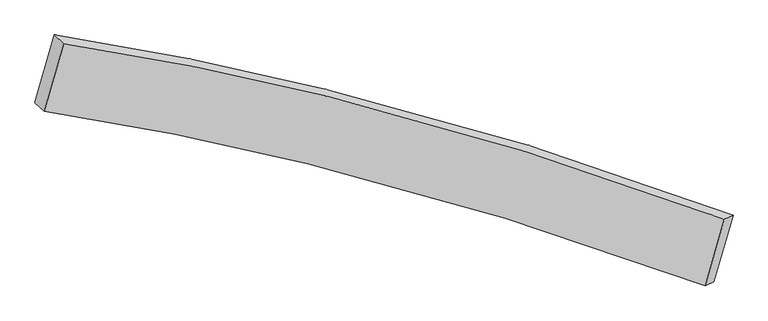
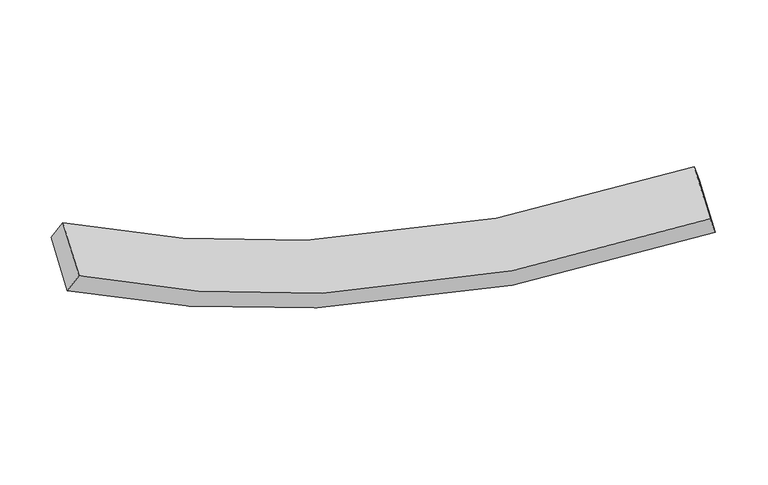
"""IFC4 building model written with IfcOpenShell, lengths in millimetres: proxy geometry."""

from ifc_helpers import new_model, si_unit, frame, origin, place, context, project, spatial, source, transform, mapped, element, save
from ifc_brep_helpers import plane_surface, spline_curve, spline_surface, advanced_brep


def generic_models_87771a1f(model_context):
    return source(origin(), model_context, "Body", "AdvancedBrep", [
        advanced_brep(
        [(3011.7979437, -1686.1436378, 1428.7169256), (2855.617586, -2227.2613563, 1269.0093432), (-2662.6203753, -771.2264717, 1711.104411), (-2503.7812857, -220.8970509, 1873.5307708), (2941.4040629, -1719.4031334, 1610.2452129), (-2428.9908139, -292.4965464, 2042.9839214), (2785.2237051, -2260.520852, 1450.5376305), (-2587.8299036, -842.8259671, 1880.5575615)],
        [
            (0, 1),
            (1, 2, spline_curve(3, [(2855.617586, -2227.2613563, 1269.0093432), (1739.128237579, -1813.544234755, 937.681022369), (633.293628286, -1473.78789664, 856.82171566), (-1200.308027557, -1028.780475516, 1140.790266645), (-1933.886071861, -883.191852004, 1369.014595889), (-2662.6203753, -771.2264717, 1711.104411)], [4, 2, 4], [0.0, 11.421304784225164, 19.122085728807498])),
            (2, 3),
            (3, 0, spline_curve(3, [(-2503.7812857, -220.8970509, 1873.5307708), (-1775.343734935, -333.890589678, 1531.137501026), (-1042.086667534, -480.591301603, 1302.584945783), (790.65780576, -928.568599995, 1017.739853685), (1895.927148019, -1270.283416915, 1098.021127288), (3011.7979437, -1686.1436378, 1428.7169256)], [4, 2, 4], [0.0, 7.700780944582334, 19.122085728807498])),
            (4, 0),
            (3, 5),
            (5, 4, spline_curve(3, [(-2428.9908139, -292.4965464, 2042.9839214), (-1719.99437925, -401.752593565, 1706.939113679), (-1006.197865108, -544.148295104, 1482.831173691), (778.175143115, -980.026441494, 1204.29515707), (1854.510254916, -1313.266268667, 1284.156860749), (2941.4040629, -1719.4031334, 1610.2452129)], [4, 2, 4], [0.0, 7.600762120599798, 18.87372539490733])),
            (6, 4),
            (5, 7),
            (7, 6, spline_curve(3, [(-2587.8299036, -842.8259671, 1880.5575615), (-1878.536716167, -951.05385593, 1544.816208363), (-1164.419224933, -1092.337468935, 1321.036494673), (620.810965346, -1525.245738012, 1043.377018868), (1697.71134371, -1856.527086769, 1123.816755523), (2785.2237051, -2260.520852, 1450.5376305)], [4, 2, 4], [0.0, 7.500747617296341, 18.625375789840547])),
            (1, 6),
            (7, 2),
        ],
        [
            spline_surface(3, 3, [[(3011.7979437, -1686.1436378, 1428.7169256), (1895.927148182, -1270.283417058, 1098.02112736), (790.65780584, -928.568599984, 1017.739853764), (-1042.086667588, -480.591301611, 1302.58494573), (-1775.343735039, -333.89058971, 1531.137501023), (-2503.7812857, -220.8970509, 1873.5307708)], [(2959.737824444, -1866.516210645, 1375.48106482), (1843.660844571, -1451.370356354, 1044.574425695), (738.203079936, -1110.308365559, 964.100474418), (-1094.827120882, -663.321026201, 1248.65338604), (-1828.191180696, -516.991010487, 1477.096532623), (-2556.727648925, -404.340191144, 1819.388650848)], [(2907.677705256, -2046.888783455, 1322.24520398), (1791.394541027, -1632.457295614, 991.12772397), (685.748354043, -1292.048131187, 910.461095035), (-1147.567574164, -846.050750843, 1194.721826314), (-1881.038626277, -700.091431333, 1423.055564281), (-2609.674012075, -587.783331456, 1765.246530952)], [(2855.617586, -2227.2613563, 1269.0093432), (1739.128237416, -1813.54423491, 937.681022305), (633.293628138, -1473.787896763, 856.82171569), (-1200.308027458, -1028.780475433, 1140.790266625), (-1933.886071934, -883.19185211, 1369.014595881), (-2662.6203753, -771.2264717, 1711.104411)]], [4, 4], [4, 2, 4], [0.0, 1.9383686654050603], [0.0, 11.421304784225164, 19.122085728807498]),
            spline_surface(3, 3, [[(2941.4040629, -1719.4031334, 1610.2452129), (1854.510254738, -1313.266268829, 1284.156860623), (778.17514314, -980.026441406, 1204.29515695), (-1006.197865124, -544.148295163, 1482.831173773), (-1719.994379146, -401.752593615, 1706.939113592), (-2428.9908139, -292.4965464, 2042.9839214)], [(2964.86868985, -1708.31663486, 1549.735783813), (1868.315885903, -1298.938651565, 1222.111616215), (782.336030711, -962.873827618, 1142.110055879), (-1018.160799274, -522.962630665, 1422.74909775), (-1738.444164441, -379.131925659, 1648.33857609), (-2453.920971164, -268.630047912, 1986.499537888)], [(2988.33331675, -1697.23013634, 1489.226354687), (1882.121517017, -1284.611034321, 1160.066371768), (786.496918269, -945.721213772, 1079.924954835), (-1030.123733438, -501.776966109, 1362.667021753), (-1756.893949744, -356.511257667, 1589.738038525), (-2478.851128436, -244.763549388, 1930.015154312)], [(3011.7979437, -1686.1436378, 1428.7169256), (1895.927148182, -1270.283417058, 1098.02112736), (790.65780584, -928.568599984, 1017.739853764), (-1042.086667588, -480.591301611, 1302.58494573), (-1775.343735039, -333.89058971, 1531.137501023), (-2503.7812857, -220.8970509, 1873.5307708)]], [4, 4], [4, 2, 4], [0.0, 0.6310891848972566], [0.0, 11.27296327430753, 18.87372539490733]),
            spline_surface(3, 3, [[(2785.2237051, -2260.520852, 1450.5376305), (1697.711343873, -1856.527086781, 1123.816755567), (620.810965437, -1525.245738085, 1043.377018875), (-1164.419224995, -1092.337468886, 1321.036494668), (-1878.536716141, -951.053855915, 1544.816208351), (-2587.8299036, -842.8259671, 1880.5575615)], [(2837.283824356, -2080.148279155, 1503.77349128), (1749.977647484, -1675.440147485, 1177.263457233), (673.265691342, -1343.505972509, 1097.016398221), (-1111.6787717, -909.607744296, 1374.968054357), (-1825.689270484, -767.953435138, 1598.85717675), (-2534.883540375, -659.382826856, 1934.699681452)], [(2889.343943644, -1899.775706245, 1557.00935212), (1802.243951127, -1494.353208125, 1230.710158957), (725.720417235, -1161.766206981, 1150.655777604), (-1058.938318419, -726.878019753, 1428.899614083), (-1772.841824803, -584.853014392, 1652.898145193), (-2481.937177125, -475.939686644, 1988.841801448)], [(2941.4040629, -1719.4031334, 1610.2452129), (1854.510254738, -1313.266268829, 1284.156860623), (778.17514314, -980.026441406, 1204.29515695), (-1006.197865124, -544.148295163, 1482.831173773), (-1719.994379146, -401.752593615, 1706.939113592), (-2428.9908139, -292.4965464, 2042.9839214)]], [4, 4], [4, 2, 4], [0.0, 1.938368665405062], [0.0, 11.124628172544206, 18.625375789840547]),
            spline_surface(3, 3, [[(2855.617586, -2227.2613563, 1269.0093432), (1739.128237416, -1813.54423491, 937.681022305), (633.293628138, -1473.787896763, 856.82171569), (-1200.308027458, -1028.780475433, 1140.790266625), (-1933.886071934, -883.19185211, 1369.014595881), (-2662.6203753, -771.2264717, 1711.104411)], [(2832.15295905, -2238.34785484, 1329.518772287), (1725.322606251, -1827.871852174, 999.726266712), (629.132740567, -1490.940510551, 919.00681676), (-1188.345093308, -1049.966139932, 1200.872342648), (-1915.436286639, -905.812520067, 1427.615133383), (-2637.690218036, -795.092970188, 1767.588794512)], [(2808.68833205, -2249.43435346, 1390.028201413), (1711.516975037, -1842.199469518, 1061.771511159), (624.971853009, -1508.093124296, 981.191917805), (-1176.382159144, -1071.151804387, 1260.954418645), (-1896.986501436, -928.433187959, 1486.215670849), (-2612.760060864, -818.959468612, 1824.073177988)], [(2785.2237051, -2260.520852, 1450.5376305), (1697.711343873, -1856.527086781, 1123.816755567), (620.810965437, -1525.245738085, 1043.377018875), (-1164.419224995, -1092.337468886, 1321.036494668), (-1878.536716141, -951.053855915, 1544.816208351), (-2587.8299036, -842.8259671, 1880.5575615)]], [4, 4], [4, 2, 4], [0.0, 0.6310891848972623], [0.0, 11.272968824322689, 18.873734687003783]),
            plane_surface(frame((-2545.8055946, -531.861509, 1877.0441662), z_axis=(-0.8871182804978002, 0.1249068830550512, 0.44431905987938225), x_axis=(0.3766242276931621, -0.36055534932110106, 0.8533194192038922))),
            plane_surface(frame((2898.5108244, -1973.3322449, 1439.6272781), z_axis=(0.8954391938182867, -0.3424151370570059, 0.28450048170132997), x_axis=(0.2667870827480912, 0.9243365786559071, 0.2728122831498888))),
        ],
        [
            (0, [[1, 2, 3, 4]]),
            (1, [[5, -4, 6, 7]]),
            (2, [[8, -7, 9, 10]]),
            (3, [[11, -10, 12, -2]]),
            (4, [[-12, -9, -6, -3]]),
            (5, [[-1, -5, -8, -11]]),
        ],
    ),
    ])


if __name__ == "__main__":
    model = new_model("IFC4")
    model_context = context("Model", 3, world=origin())
    ifc_project = project(units=[si_unit("LENGTHUNIT", "METRE", prefix="MILLI")], contexts=[model_context])
    site = spatial("IfcSite", under=ifc_project)
    building = spatial("IfcBuilding", under=site)
    placement = place(None, origin())
    generic_models_shape = generic_models_87771a1f(model_context)
    element("IfcBuildingElementProxy", 1, Name="Generic Models", at=placement, inside=building, context=model_context, shape_type="MappedRepresentation", body=[
        mapped(generic_models_shape, transform((0.0, 0.0, 0.0), x_axis=(1.0, 0.0, 0.0), y_axis=(0.0, 1.0, 0.0), z_axis=(0.0, 0.0, 1.0))),
    ])
    save(model, "model.ifc")
